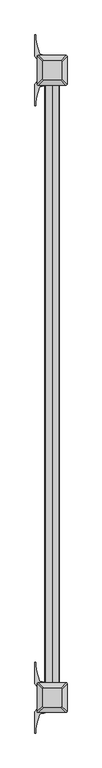
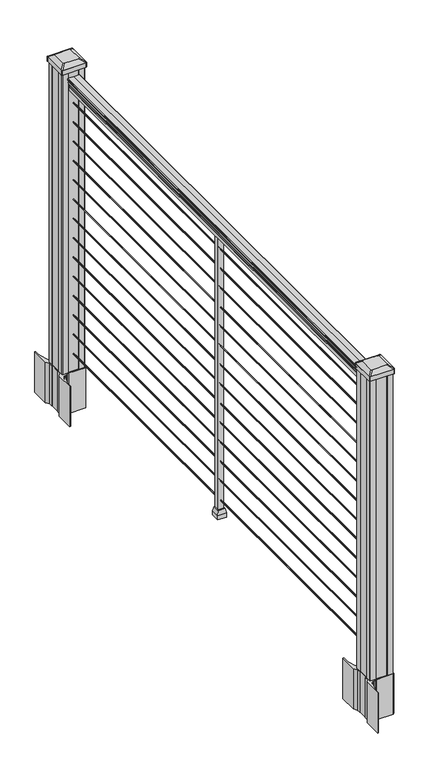
"""IFC4 building model written with IfcOpenShell, lengths in millimetres: railing geometry."""

import ifcopenshell
import ifcopenshell.guid

model = None  # the IFC model being written
_history = None  # IfcOwnerHistory: only IFC2X3 demands one
_inside = {}  # id of a spatial element -> (the spatial element, [elements in it])
_under = {}  # id of a project, library or spatial element -> (it, [spatial elements below it])
_declared = {}  # id of a project -> (the project, [libraries it declares])
_typed = {}  # id of a type object -> (the type object, [elements of that type])
_made_of = {}  # id of a material, layer set ... -> (it, [elements and type objects made of it])


def new_model(schema):
    """Start an empty IFC model of exactly this schema.

    Asked for "IFC4X3", IfcOpenShell would pick the latest addendum, in which some entities
    have other attributes; the version numbers below select the first issue.
    IFC2X3 requires an IfcOwnerHistory on every rooted entity: one is made here for all.
    """
    global model, _history
    if schema == "IFC4X3":
        model = ifcopenshell.file(schema_version=(4, 3, 0, 0))
    else:
        model = ifcopenshell.file(schema=schema)
    _inside.clear()
    _under.clear()
    _declared.clear()
    _typed.clear()
    _made_of.clear()
    _history = None
    if model.schema == "IFC2X3":
        org = make("IfcOrganization", Name="unknown")
        user = make(
            "IfcPersonAndOrganization",
            ThePerson=make("IfcPerson", FamilyName="unknown"),
            TheOrganization=org,
        )
        app = make(
            "IfcApplication",
            ApplicationDeveloper=org,
            Version="unknown",
            ApplicationFullName="unknown",
            ApplicationIdentifier="unknown",
        )
        _history = make(
            "IfcOwnerHistory",
            OwningUser=user,
            OwningApplication=app,
            ChangeAction="ADDED",
            CreationDate=0,
        )
    return model


def make(cls, **values):
    """One entity of the class cls with the attributes given. An attribute that is None is left unset."""
    return model.create_entity(
        cls, **{name: value for name, value in values.items() if value is not None}
    )


def rooted(cls, **values):
    """An entity with a GlobalId (a new one), such as an element, a storey or a relation."""
    return make(cls, GlobalId=ifcopenshell.guid.new(), OwnerHistory=_history, **values)


def si_unit(unit_type, name, prefix=None):
    """IfcSIUnit, for example si_unit("LENGTHUNIT", "METRE", prefix="MILLI")."""
    return make("IfcSIUnit", UnitType=unit_type, Prefix=prefix, Name=name)


def assignment(units):
    """IfcUnitAssignment: the units of a project."""
    return None if units is None else make("IfcUnitAssignment", Units=units)


def point(xyz):
    """IfcCartesianPoint."""
    return None if xyz is None else make("IfcCartesianPoint", Coordinates=xyz)


def direction(xyz):
    """IfcDirection."""
    return None if xyz is None else make("IfcDirection", DirectionRatios=xyz)


def frame(location, z_axis=None, x_axis=None):
    """IfcAxis2Placement3D, a coordinate frame: its origin and axes. An axis left out is left unset."""
    return make(
        "IfcAxis2Placement3D",
        Location=point(location),
        Axis=direction(z_axis),
        RefDirection=direction(x_axis),
    )


def frame_2d(location, x_axis=None):
    """IfcAxis2Placement2D, a coordinate frame in the plane: its origin and x axis."""
    return make(
        "IfcAxis2Placement2D", Location=point(location), RefDirection=direction(x_axis)
    )


def origin():
    """The frame at (0, 0, 0) with its axes left unset."""
    return frame((0.0, 0.0, 0.0))


def origin_with_axes():
    """The frame at (0, 0, 0) with the z axis (0, 0, 1) and the x axis (1, 0, 0) written out."""
    return frame((0.0, 0.0, 0.0), z_axis=(0.0, 0.0, 1.0), x_axis=(1.0, 0.0, 0.0))


def place(relative_to, where):
    """IfcLocalPlacement: puts the frame where relative to a parent placement (None: the world)."""
    return make(
        "IfcLocalPlacement", PlacementRelTo=relative_to, RelativePlacement=where
    )


def context(
    kind, dimensions, precision=None, world=None, true_north=None, identifier=None
):
    """IfcGeometricRepresentationContext, for example the 3D "Model" context."""
    return make(
        "IfcGeometricRepresentationContext",
        ContextIdentifier=identifier,
        ContextType=kind,
        CoordinateSpaceDimension=dimensions,
        Precision=precision,
        WorldCoordinateSystem=world,
        TrueNorth=true_north,
    )


def project(units=None, contexts=None):
    """IfcProject with its units and contexts."""
    return rooted(
        "IfcProject",
        Name="project",
        RepresentationContexts=contexts,
        UnitsInContext=assignment(units),
    )


def spatial(cls, under=None, at=None, **own):
    """A site, building, storey or space (cls), placed at a placement, below another one or the project."""
    s = rooted(cls, ObjectPlacement=at, **own)
    if under is not None:
        _under.setdefault(under.id(), (under, []))[1].append(s)
    return s


def polyline(points):
    """IfcPolyline through the points."""
    return make("IfcPolyline", Points=[point(p) for p in points])


def circle_curve(where, radius):
    """IfcCircle in the frame where."""
    return make("IfcCircle", Position=where, Radius=radius)


def trimmed(basis, trim1, trim2, sense, master):
    """IfcTrimmedCurve: the piece of a basis curve between two trims."""
    return make(
        "IfcTrimmedCurve",
        BasisCurve=basis,
        Trim1=trim1,
        Trim2=trim2,
        SenseAgreement=sense,
        MasterRepresentation=master,
    )


def segment(curve, same_sense, transition):
    """IfcCompositeCurveSegment."""
    return make(
        "IfcCompositeCurveSegment",
        Transition=transition,
        SameSense=same_sense,
        ParentCurve=curve,
    )


def composite_curve(segments, self_intersect=None):
    """IfcCompositeCurve: segments joined end to end."""
    return make("IfcCompositeCurve", Segments=segments, SelfIntersect=self_intersect)


def outline(outer, holes=None, kind="AREA"):
    """IfcArbitraryClosedProfileDef: a profile drawn as a closed curve; with holes, ...WithVoids."""
    if holes is None:
        return make("IfcArbitraryClosedProfileDef", ProfileType=kind, OuterCurve=outer)
    return make(
        "IfcArbitraryProfileDefWithVoids",
        ProfileType=kind,
        OuterCurve=outer,
        InnerCurves=holes,
    )


def extrude(swept, where, along, depth):
    """IfcExtrudedAreaSolid: the profile swept, set in the frame where, extruded along a direction by depth."""
    return make(
        "IfcExtrudedAreaSolid",
        SweptArea=swept,
        Position=where,
        ExtrudedDirection=direction(along),
        Depth=depth,
    )


def faces_of(points, faces, orient=None, outer=None):
    """IfcFace entities. A face is a list of loops; a loop is a list of indices into points, from 0.

    orient and outer hold one flag for each loop. By default every Orientation is true, the
    first loop of a face is its IfcFaceOuterBound and the others are IfcFaceBound.
    """
    made = []
    for i, loops in enumerate(faces):
        bounds = []
        for j, loop in enumerate(loops):
            is_outer = j == 0 if outer is None else outer[i][j]
            bounds.append(
                make(
                    "IfcFaceOuterBound" if is_outer else "IfcFaceBound",
                    Bound=make("IfcPolyLoop", Polygon=[points[k] for k in loop]),
                    Orientation=True if orient is None else orient[i][j],
                )
            )
        made.append(make("IfcFace", Bounds=bounds))
    return made


def faceted_brep(points, faces, orient=None, outer=None, voids=None):
    """IfcFacetedBrep: a solid bounded by flat faces; with voids (closed shells), ...WithVoids."""
    shared = [point(p) for p in points]
    hull = make("IfcClosedShell", CfsFaces=faces_of(shared, faces, orient, outer))
    if voids is None:
        return make("IfcFacetedBrep", Outer=hull)
    return make(
        "IfcFacetedBrepWithVoids",
        Outer=hull,
        Voids=[
            make(cls, CfsFaces=faces_of(shared, fs, o, b)) for cls, fs, o, b in voids
        ],
    )


def shape(context_of_items, identifier, shape_type, items):
    """IfcShapeRepresentation: the items that make up one representation, for example the "Body"."""
    return make(
        "IfcShapeRepresentation",
        ContextOfItems=context_of_items,
        RepresentationIdentifier=identifier,
        RepresentationType=shape_type,
        Items=items,
    )


def source(mapping_origin, context_of_items, identifier, shape_type, items):
    """IfcRepresentationMap: a shape defined once, which mapped items show again and again."""
    return make(
        "IfcRepresentationMap",
        MappingOrigin=mapping_origin,
        MappedRepresentation=shape(context_of_items, identifier, shape_type, items),
    )


def transform(
    local_origin,
    x_axis=None,
    y_axis=None,
    z_axis=None,
    scale=None,
    scale2=None,
    scale3=None,
    uniform=True,
):
    """IfcCartesianTransformationOperator3D, or its non-uniform kind. x_axis, y_axis, z_axis: its Axis1, 2, 3."""
    if uniform:
        return make(
            "IfcCartesianTransformationOperator3D",
            Axis1=direction(x_axis),
            Axis2=direction(y_axis),
            LocalOrigin=point(local_origin),
            Scale=scale,
            Axis3=direction(z_axis),
        )
    return make(
        "IfcCartesianTransformationOperator3DnonUniform",
        Axis1=direction(x_axis),
        Axis2=direction(y_axis),
        LocalOrigin=point(local_origin),
        Scale=scale,
        Axis3=direction(z_axis),
        Scale2=scale2,
        Scale3=scale3,
    )


def mapped(mapping_source, mapping_target):
    """IfcMappedItem: shows the shape of a source again, moved by a transform."""
    return make(
        "IfcMappedItem", MappingSource=mapping_source, MappingTarget=mapping_target
    )


def made_of(thing, what):
    """Note that an element or type object is made of a material, layer set ...; save() writes the relation."""
    if what is not None:
        _made_of.setdefault(what.id(), (what, []))[1].append(thing)
    return thing


def element(
    cls,
    number,
    at=None,
    inside=None,
    cuts=None,
    type_object=None,
    material=None,
    context=None,
    identifier="Body",
    shape_type=None,
    held_by="IfcProductDefinitionShape",
    body=None,
    shapes=None,
    **own,
):
    """One element of the class cls, such as IfcWall. Its Tag is "e" and its number.

    at: its placement. inside: the storey or other place that contains it. cuts: it is an
    opening in that element (IfcRelVoidsElement). A single representation is given by context,
    identifier, shape_type and body (its items); several are given by shapes. held_by: the class
    of the entity that holds the representations. save() writes the other relations.
    """
    e = rooted(cls, Tag="e%d" % number, ObjectPlacement=at, **own)
    if body is not None:
        shapes = [shape(context, identifier, shape_type, body)]
    if shapes is not None:
        e.Representation = make(held_by, Representations=shapes)
    if inside is not None:
        _inside.setdefault(inside.id(), (inside, []))[1].append(e)
    if cuts is not None:
        rooted(
            "IfcRelVoidsElement", RelatingBuildingElement=cuts, RelatedOpeningElement=e
        )
    if type_object is not None:
        _typed.setdefault(type_object.id(), (type_object, []))[1].append(e)
    return made_of(e, material)


def aggregate(whole, parts):
    """IfcRelAggregates: a whole, such as a stair, and the parts it consists of."""
    return rooted("IfcRelAggregates", RelatingObject=whole, RelatedObjects=parts)


def save(model, path):
    """Write the relations noted so far, then the file.

    IfcRelAggregates (storeys below a building ...), IfcRelContainedInSpatialStructure (elements
    in a storey), IfcRelDefinesByType, IfcRelAssociatesMaterial and IfcRelDeclares: one each for
    every whole, place, type object, material and project.
    """
    for whole, parts in _under.values():
        aggregate(whole, parts)
    for where, things in _inside.values():
        rooted(
            "IfcRelContainedInSpatialStructure",
            RelatedElements=things,
            RelatingStructure=where,
        )
    for kind, things in _typed.values():
        rooted("IfcRelDefinesByType", RelatedObjects=things, RelatingType=kind)
    for what, things in _made_of.values():
        rooted("IfcRelAssociatesMaterial", RelatedObjects=things, RelatingMaterial=what)
    for by, libraries in _declared.values():
        rooted("IfcRelDeclares", RelatingContext=by, RelatedDefinitions=libraries)
    model.write(path)


def plane_surface(at):
    """IfcPlane: the flat surface through the origin of the frame at, square to its z axis."""
    return make("IfcPlane", Position=at)


def extruded_surface(curve, direction_of_extrusion, depth):
    """IfcSurfaceOfLinearExtrusion: the curve pushed along a direction by depth."""
    return make(
        "IfcSurfaceOfLinearExtrusion",
        SweptCurve=make("IfcArbitraryOpenProfileDef", ProfileType="CURVE", Curve=curve),
        ExtrudedDirection=direction(direction_of_extrusion),
        Depth=depth,
    )


def advanced_brep(points, edges, surfaces, faces):
    """IfcAdvancedBrep: a solid bounded by faces that lie on surfaces and meet in shared edges.

    An edge is (start, end): straight between two places in points (the first is 0);
    or (start, end, curve); or (start, end, curve, False) where it runs against its curve.
    A face is (place in surfaces, loops), or (place, loops, False) where it looks against
    its surface's normal. A loop lists edges by number (the first is 1), with a minus sign
    where the edge is run from its end to its start. The first loop is the outer one.
    """
    corners = [point(p) for p in points]
    vertices = [make("IfcVertexPoint", VertexGeometry=c) for c in corners]
    made = []
    for start, end, *more in edges:
        made.append(
            make(
                "IfcEdgeCurve",
                EdgeStart=vertices[start],
                EdgeEnd=vertices[end],
                EdgeGeometry=more[0] if more else make("IfcPolyline", Points=[corners[start], corners[end]]),
                SameSense=more[1] if len(more) > 1 else True,
            )
        )
    hull = []
    for where, loops, *sense in faces:
        bounds = []
        for j, loop in enumerate(loops):
            ring = [make("IfcOrientedEdge", EdgeElement=made[abs(k) - 1], Orientation=k > 0) for k in loop]
            bounds.append(
                make(
                    "IfcFaceOuterBound" if j == 0 else "IfcFaceBound",
                    Bound=make("IfcEdgeLoop", EdgeList=ring),
                    Orientation=True,
                )
            )
        hull.append(make("IfcAdvancedFace", Bounds=bounds, FaceSurface=surfaces[where], SameSense=sense[0] if sense else True))
    return make("IfcAdvancedBrep", Outer=make("IfcClosedShell", CfsFaces=hull))


def railing_bdea618e(model_context):
    return source(origin(), model_context, "Body", "SolidModel", [
        extrude(outline(composite_curve([segment(polyline([(1090.8043297, 2185.0080205), (1092.692412, 2185.0080205)]), True, "CONTINUOUS"), segment(trimmed(circle_curve(frame_2d((1098.4506383, 2178.6932672)), 8.545951), [point((1092.692412, 2185.0080205))], [point((1094.2546695, 2186.1382068))], False, "CARTESIAN"), True, "CONTINUOUS"), segment(trimmed(circle_curve(frame_2d((1097.8636577, 2179.1303302)), 7.882584), [point((1094.2546695, 2186.1382068))], [point((1101.4726458, 2186.1382068))], False, "CARTESIAN"), True, "CONTINUOUS"), segment(trimmed(circle_curve(frame_2d((1103.7112527, 2189.6436543)), 4.1592695), [point((1101.4726458, 2186.1382068))], [point((1103.9060812, 2185.4889504))], True, "CARTESIAN"), True, "CONTINUOUS"), segment(trimmed(circle_curve(frame_2d((1103.6508864, 2190.9309609)), 5.4479907), [point((1103.9060812, 2185.4889504))], [point((1108.2362083, 2187.9889504))], True, "CARTESIAN"), True, "CONTINUOUS"), segment(trimmed(circle_curve(frame_2d((1108.233395, 2189.6978025)), 1.7088543), [point((1108.2362083, 2187.9889504))], [point((1109.9157972, 2189.3982929))], True, "CARTESIAN"), True, "CONTINUOUS"), segment(trimmed(circle_curve(frame_2d((1111.0205318, 2188.0809024)), 1.7192895), [point((1109.9157972, 2189.3982929))], [point((1111.0205318, 2189.8001919))], False, "CARTESIAN"), True, "CONTINUOUS"), segment(polyline([(1111.0205318, 2189.8001919), (1112.3608158, 2189.8001918)]), True, "CONTINUOUS"), segment(trimmed(circle_curve(frame_2d((1112.3608158, 2188.2467446)), 1.5534472), [point((1112.3608158, 2189.8001918))], [point((1113.914263, 2188.2467446))], False, "CARTESIAN"), True, "CONTINUOUS"), segment(polyline([(1113.914263, 2188.2467446), (1113.914263, 2167.5751918), (1113.914263, 2146.903639)]), True, "CONTINUOUS"), segment(trimmed(circle_curve(frame_2d((1112.3608158, 2146.903639)), 1.5534472), [point((1113.914263, 2146.903639))], [point((1112.3608158, 2145.3501918))], False, "CARTESIAN"), True, "CONTINUOUS"), segment(polyline([(1112.3608158, 2145.3501918), (1111.0205318, 2145.3501918)]), True, "CONTINUOUS"), segment(trimmed(circle_curve(frame_2d((1111.0205318, 2147.0694812)), 1.7192895), [point((1111.0205318, 2145.3501918))], [point((1109.9157972, 2145.7520907))], False, "CARTESIAN"), True, "CONTINUOUS"), segment(trimmed(circle_curve(frame_2d((1108.233395, 2145.4525811)), 1.7088543), [point((1109.9157972, 2145.7520907))], [point((1108.2362083, 2147.1614332))], True, "CARTESIAN"), True, "CONTINUOUS"), segment(trimmed(circle_curve(frame_2d((1103.6508864, 2144.2194227)), 5.4479907), [point((1108.2362083, 2147.1614332))], [point((1103.9060812, 2149.6614332))], True, "CARTESIAN"), True, "CONTINUOUS"), segment(trimmed(circle_curve(frame_2d((1103.7112527, 2145.5067292)), 4.1592695), [point((1103.9060812, 2149.6614332))], [point((1101.4726458, 2149.0121768))], True, "CARTESIAN"), True, "CONTINUOUS"), segment(trimmed(circle_curve(frame_2d((1097.8636577, 2156.0200534)), 7.882584), [point((1101.4726458, 2149.0121768))], [point((1094.2546695, 2149.0121768))], False, "CARTESIAN"), True, "CONTINUOUS"), segment(trimmed(circle_curve(frame_2d((1098.4506383, 2156.4571163)), 8.545951), [point((1094.2546695, 2149.0121768))], [point((1092.692412, 2150.1423631))], False, "CARTESIAN"), True, "CONTINUOUS"), segment(polyline([(1092.692412, 2150.1423631), (1090.8043297, 2150.1423631)]), True, "CONTINUOUS"), segment(trimmed(circle_curve(frame_2d((1090.8043297, 2151.4292774)), 1.2869144), [point((1090.8043297, 2150.1423631))], [point((1090.8043297, 2152.7161918))], False, "CARTESIAN"), True, "CONTINUOUS"), segment(polyline([(1090.8043297, 2152.7161918), (1080.3048283, 2152.7161918), (1079.2888283, 2151.7001918), (1066.8, 2151.7001918), (1066.8, 2183.4501918), (1079.131013, 2183.4501918), (1080.147013, 2182.4341918), (1090.8043297, 2182.4341918)]), True, "CONTINUOUS"), segment(trimmed(circle_curve(frame_2d((1090.8043297, 2183.7211062)), 1.2869144), [point((1090.8043297, 2182.4341918))], [point((1090.8043297, 2185.0080205))], False, "CARTESIAN"), True, "CONTINUOUS")], self_intersect=False)), frame((0.0, -101561.4908968, 0.0), z_axis=(0.0, 1.0, 0.0), x_axis=(0.0, 0.0, 1.0)), (0.0, 0.0, 1.0), 1828.8),
        extrude(outline(composite_curve([segment(trimmed(circle_curve(frame_2d((65.024, 2167.5751918)), 1.5875), [point((65.024, 2165.9876918))], [point((63.4365, 2167.5751918))], False, "CARTESIAN"), True, "CONTINUOUS"), segment(trimmed(circle_curve(frame_2d((65.024, 2167.5751918)), 1.5875), [point((63.4365, 2167.5751918))], [point((65.024, 2169.1626918))], False, "CARTESIAN"), True, "CONTINUOUS"), segment(trimmed(circle_curve(frame_2d((65.024, 2167.5751918)), 1.5875), [point((65.024, 2169.1626918))], [point((66.6115, 2167.5751918))], False, "CARTESIAN"), True, "CONTINUOUS"), segment(trimmed(circle_curve(frame_2d((65.024, 2167.5751918)), 1.5875), [point((66.6115, 2167.5751918))], [point((65.024, 2165.9876918))], False, "CARTESIAN"), True, "CONTINUOUS")], self_intersect=False)), frame((0.0, -101561.4908968, 0.0), z_axis=(0.0, 1.0, 0.0), x_axis=(0.0, 0.0, 1.0)), (0.0, 0.0, 1.0), 1828.8),
        extrude(outline(composite_curve([segment(trimmed(circle_curve(frame_2d((138.176, 2167.5751918)), 1.5875), [point((138.176, 2165.9876918))], [point((136.5885, 2167.5751918))], False, "CARTESIAN"), True, "CONTINUOUS"), segment(trimmed(circle_curve(frame_2d((138.176, 2167.5751918)), 1.5875), [point((136.5885, 2167.5751918))], [point((138.176, 2169.1626918))], False, "CARTESIAN"), True, "CONTINUOUS"), segment(trimmed(circle_curve(frame_2d((138.176, 2167.5751918)), 1.5875), [point((138.176, 2169.1626918))], [point((139.7635, 2167.5751918))], False, "CARTESIAN"), True, "CONTINUOUS"), segment(trimmed(circle_curve(frame_2d((138.176, 2167.5751918)), 1.5875), [point((139.7635, 2167.5751918))], [point((138.176, 2165.9876918))], False, "CARTESIAN"), True, "CONTINUOUS")], self_intersect=False)), frame((0.0, -101561.4908968, 0.0), z_axis=(0.0, 1.0, 0.0), x_axis=(0.0, 0.0, 1.0)), (0.0, 0.0, 1.0), 1828.8),
        extrude(outline(composite_curve([segment(trimmed(circle_curve(frame_2d((211.074, 2167.5751918)), 1.5875), [point((211.074, 2165.9876918))], [point((209.4865, 2167.5751918))], False, "CARTESIAN"), True, "CONTINUOUS"), segment(trimmed(circle_curve(frame_2d((211.074, 2167.5751918)), 1.5875), [point((209.4865, 2167.5751918))], [point((211.074, 2169.1626918))], False, "CARTESIAN"), True, "CONTINUOUS"), segment(trimmed(circle_curve(frame_2d((211.074, 2167.5751918)), 1.5875), [point((211.074, 2169.1626918))], [point((212.6615, 2167.5751918))], False, "CARTESIAN"), True, "CONTINUOUS"), segment(trimmed(circle_curve(frame_2d((211.074, 2167.5751918)), 1.5875), [point((212.6615, 2167.5751918))], [point((211.074, 2165.9876918))], False, "CARTESIAN"), True, "CONTINUOUS")], self_intersect=False)), frame((0.0, -101561.4908968, 0.0), z_axis=(0.0, 1.0, 0.0), x_axis=(0.0, 0.0, 1.0)), (0.0, 0.0, 1.0), 1828.8),
        extrude(outline(composite_curve([segment(trimmed(circle_curve(frame_2d((284.226, 2167.5751918)), 1.5875), [point((284.226, 2165.9876918))], [point((282.6385, 2167.5751918))], False, "CARTESIAN"), True, "CONTINUOUS"), segment(trimmed(circle_curve(frame_2d((284.226, 2167.5751918)), 1.5875), [point((282.6385, 2167.5751918))], [point((284.226, 2169.1626918))], False, "CARTESIAN"), True, "CONTINUOUS"), segment(trimmed(circle_curve(frame_2d((284.226, 2167.5751918)), 1.5875), [point((284.226, 2169.1626918))], [point((285.8135, 2167.5751918))], False, "CARTESIAN"), True, "CONTINUOUS"), segment(trimmed(circle_curve(frame_2d((284.226, 2167.5751918)), 1.5875), [point((285.8135, 2167.5751918))], [point((284.226, 2165.9876918))], False, "CARTESIAN"), True, "CONTINUOUS")], self_intersect=False)), frame((0.0, -101561.4908968, 0.0), z_axis=(0.0, 1.0, 0.0), x_axis=(0.0, 0.0, 1.0)), (0.0, 0.0, 1.0), 1828.8),
        extrude(outline(composite_curve([segment(trimmed(circle_curve(frame_2d((357.124, 2167.5751918)), 1.5875), [point((357.124, 2165.9876918))], [point((355.5365, 2167.5751918))], False, "CARTESIAN"), True, "CONTINUOUS"), segment(trimmed(circle_curve(frame_2d((357.124, 2167.5751918)), 1.5875), [point((355.5365, 2167.5751918))], [point((357.124, 2169.1626918))], False, "CARTESIAN"), True, "CONTINUOUS"), segment(trimmed(circle_curve(frame_2d((357.124, 2167.5751918)), 1.5875), [point((357.124, 2169.1626918))], [point((358.7115, 2167.5751918))], False, "CARTESIAN"), True, "CONTINUOUS"), segment(trimmed(circle_curve(frame_2d((357.124, 2167.5751918)), 1.5875), [point((358.7115, 2167.5751918))], [point((357.124, 2165.9876918))], False, "CARTESIAN"), True, "CONTINUOUS")], self_intersect=False)), frame((0.0, -101561.4908968, 0.0), z_axis=(0.0, 1.0, 0.0), x_axis=(0.0, 0.0, 1.0)), (0.0, 0.0, 1.0), 1828.8),
        extrude(outline(composite_curve([segment(trimmed(circle_curve(frame_2d((430.276, 2167.5751918)), 1.5875), [point((430.276, 2165.9876918))], [point((428.6885, 2167.5751918))], False, "CARTESIAN"), True, "CONTINUOUS"), segment(trimmed(circle_curve(frame_2d((430.276, 2167.5751918)), 1.5875), [point((428.6885, 2167.5751918))], [point((430.276, 2169.1626918))], False, "CARTESIAN"), True, "CONTINUOUS"), segment(trimmed(circle_curve(frame_2d((430.276, 2167.5751918)), 1.5875), [point((430.276, 2169.1626918))], [point((431.8635, 2167.5751918))], False, "CARTESIAN"), True, "CONTINUOUS"), segment(trimmed(circle_curve(frame_2d((430.276, 2167.5751918)), 1.5875), [point((431.8635, 2167.5751918))], [point((430.276, 2165.9876918))], False, "CARTESIAN"), True, "CONTINUOUS")], self_intersect=False)), frame((0.0, -101561.4908968, 0.0), z_axis=(0.0, 1.0, 0.0), x_axis=(0.0, 0.0, 1.0)), (0.0, 0.0, 1.0), 1828.8),
        extrude(outline(composite_curve([segment(trimmed(circle_curve(frame_2d((503.174, 2167.5751918)), 1.5875), [point((503.174, 2165.9876918))], [point((501.5865, 2167.5751918))], False, "CARTESIAN"), True, "CONTINUOUS"), segment(trimmed(circle_curve(frame_2d((503.174, 2167.5751918)), 1.5875), [point((501.5865, 2167.5751918))], [point((503.174, 2169.1626918))], False, "CARTESIAN"), True, "CONTINUOUS"), segment(trimmed(circle_curve(frame_2d((503.174, 2167.5751918)), 1.5875), [point((503.174, 2169.1626918))], [point((504.7615, 2167.5751918))], False, "CARTESIAN"), True, "CONTINUOUS"), segment(trimmed(circle_curve(frame_2d((503.174, 2167.5751918)), 1.5875), [point((504.7615, 2167.5751918))], [point((503.174, 2165.9876918))], False, "CARTESIAN"), True, "CONTINUOUS")], self_intersect=False)), frame((0.0, -101561.4908968, 0.0), z_axis=(0.0, 1.0, 0.0), x_axis=(0.0, 0.0, 1.0)), (0.0, 0.0, 1.0), 1828.8),
        extrude(outline(composite_curve([segment(trimmed(circle_curve(frame_2d((576.326, 2167.5751918)), 1.5875), [point((576.326, 2165.9876918))], [point((574.7385, 2167.5751918))], False, "CARTESIAN"), True, "CONTINUOUS"), segment(trimmed(circle_curve(frame_2d((576.326, 2167.5751918)), 1.5875), [point((574.7385, 2167.5751918))], [point((576.326, 2169.1626918))], False, "CARTESIAN"), True, "CONTINUOUS"), segment(trimmed(circle_curve(frame_2d((576.326, 2167.5751918)), 1.5875), [point((576.326, 2169.1626918))], [point((577.9135, 2167.5751918))], False, "CARTESIAN"), True, "CONTINUOUS"), segment(trimmed(circle_curve(frame_2d((576.326, 2167.5751918)), 1.5875), [point((577.9135, 2167.5751918))], [point((576.326, 2165.9876918))], False, "CARTESIAN"), True, "CONTINUOUS")], self_intersect=False)), frame((0.0, -101561.4908968, 0.0), z_axis=(0.0, 1.0, 0.0), x_axis=(0.0, 0.0, 1.0)), (0.0, 0.0, 1.0), 1828.8),
        extrude(outline(composite_curve([segment(trimmed(circle_curve(frame_2d((649.224, 2167.5751918)), 1.5875), [point((649.224, 2165.9876918))], [point((647.6365, 2167.5751918))], False, "CARTESIAN"), True, "CONTINUOUS"), segment(trimmed(circle_curve(frame_2d((649.224, 2167.5751918)), 1.5875), [point((647.6365, 2167.5751918))], [point((649.224, 2169.1626918))], False, "CARTESIAN"), True, "CONTINUOUS"), segment(trimmed(circle_curve(frame_2d((649.224, 2167.5751918)), 1.5875), [point((649.224, 2169.1626918))], [point((650.8115, 2167.5751918))], False, "CARTESIAN"), True, "CONTINUOUS"), segment(trimmed(circle_curve(frame_2d((649.224, 2167.5751918)), 1.5875), [point((650.8115, 2167.5751918))], [point((649.224, 2165.9876918))], False, "CARTESIAN"), True, "CONTINUOUS")], self_intersect=False)), frame((0.0, -101561.4908968, 0.0), z_axis=(0.0, 1.0, 0.0), x_axis=(0.0, 0.0, 1.0)), (0.0, 0.0, 1.0), 1828.8),
        extrude(outline(composite_curve([segment(trimmed(circle_curve(frame_2d((722.376, 2167.5751918)), 1.5875), [point((722.376, 2165.9876918))], [point((720.7885, 2167.5751918))], False, "CARTESIAN"), True, "CONTINUOUS"), segment(trimmed(circle_curve(frame_2d((722.376, 2167.5751918)), 1.5875), [point((720.7885, 2167.5751918))], [point((722.376, 2169.1626918))], False, "CARTESIAN"), True, "CONTINUOUS"), segment(trimmed(circle_curve(frame_2d((722.376, 2167.5751918)), 1.5875), [point((722.376, 2169.1626918))], [point((723.9635, 2167.5751918))], False, "CARTESIAN"), True, "CONTINUOUS"), segment(trimmed(circle_curve(frame_2d((722.376, 2167.5751918)), 1.5875), [point((723.9635, 2167.5751918))], [point((722.376, 2165.9876918))], False, "CARTESIAN"), True, "CONTINUOUS")], self_intersect=False)), frame((0.0, -101561.4908968, 0.0), z_axis=(0.0, 1.0, 0.0), x_axis=(0.0, 0.0, 1.0)), (0.0, 0.0, 1.0), 1828.8),
        extrude(outline(composite_curve([segment(trimmed(circle_curve(frame_2d((795.274, 2167.5751918)), 1.5875), [point((795.274, 2165.9876918))], [point((793.6865, 2167.5751918))], False, "CARTESIAN"), True, "CONTINUOUS"), segment(trimmed(circle_curve(frame_2d((795.274, 2167.5751918)), 1.5875), [point((793.6865, 2167.5751918))], [point((795.274, 2169.1626918))], False, "CARTESIAN"), True, "CONTINUOUS"), segment(trimmed(circle_curve(frame_2d((795.274, 2167.5751918)), 1.5875), [point((795.274, 2169.1626918))], [point((796.8615, 2167.5751918))], False, "CARTESIAN"), True, "CONTINUOUS"), segment(trimmed(circle_curve(frame_2d((795.274, 2167.5751918)), 1.5875), [point((796.8615, 2167.5751918))], [point((795.274, 2165.9876918))], False, "CARTESIAN"), True, "CONTINUOUS")], self_intersect=False)), frame((0.0, -101561.4908968, 0.0), z_axis=(0.0, 1.0, 0.0), x_axis=(0.0, 0.0, 1.0)), (0.0, 0.0, 1.0), 1828.8),
        extrude(outline(composite_curve([segment(trimmed(circle_curve(frame_2d((868.426, 2167.5751918)), 1.5875), [point((868.426, 2165.9876918))], [point((866.8385, 2167.5751918))], False, "CARTESIAN"), True, "CONTINUOUS"), segment(trimmed(circle_curve(frame_2d((868.426, 2167.5751918)), 1.5875), [point((866.8385, 2167.5751918))], [point((868.426, 2169.1626918))], False, "CARTESIAN"), True, "CONTINUOUS"), segment(trimmed(circle_curve(frame_2d((868.426, 2167.5751918)), 1.5875), [point((868.426, 2169.1626918))], [point((870.0135, 2167.5751918))], False, "CARTESIAN"), True, "CONTINUOUS"), segment(trimmed(circle_curve(frame_2d((868.426, 2167.5751918)), 1.5875), [point((870.0135, 2167.5751918))], [point((868.426, 2165.9876918))], False, "CARTESIAN"), True, "CONTINUOUS")], self_intersect=False)), frame((0.0, -101561.4908968, 0.0), z_axis=(0.0, 1.0, 0.0), x_axis=(0.0, 0.0, 1.0)), (0.0, 0.0, 1.0), 1828.8),
        extrude(outline(composite_curve([segment(trimmed(circle_curve(frame_2d((941.324, 2167.5751918)), 1.5875), [point((941.324, 2165.9876918))], [point((939.7365, 2167.5751918))], False, "CARTESIAN"), True, "CONTINUOUS"), segment(trimmed(circle_curve(frame_2d((941.324, 2167.5751918)), 1.5875), [point((939.7365, 2167.5751918))], [point((941.324, 2169.1626918))], False, "CARTESIAN"), True, "CONTINUOUS"), segment(trimmed(circle_curve(frame_2d((941.324, 2167.5751918)), 1.5875), [point((941.324, 2169.1626918))], [point((942.9115, 2167.5751918))], False, "CARTESIAN"), True, "CONTINUOUS"), segment(trimmed(circle_curve(frame_2d((941.324, 2167.5751918)), 1.5875), [point((942.9115, 2167.5751918))], [point((941.324, 2165.9876918))], False, "CARTESIAN"), True, "CONTINUOUS")], self_intersect=False)), frame((0.0, -101561.4908968, 0.0), z_axis=(0.0, 1.0, 0.0), x_axis=(0.0, 0.0, 1.0)), (0.0, 0.0, 1.0), 1828.8),
        extrude(outline(composite_curve([segment(trimmed(circle_curve(frame_2d((1014.476, 2167.5751918)), 1.5875), [point((1014.476, 2165.9876918))], [point((1012.8885, 2167.5751918))], False, "CARTESIAN"), True, "CONTINUOUS"), segment(trimmed(circle_curve(frame_2d((1014.476, 2167.5751918)), 1.5875), [point((1012.8885, 2167.5751918))], [point((1014.476, 2169.1626918))], False, "CARTESIAN"), True, "CONTINUOUS"), segment(trimmed(circle_curve(frame_2d((1014.476, 2167.5751918)), 1.5875), [point((1014.476, 2169.1626918))], [point((1016.0635, 2167.5751918))], False, "CARTESIAN"), True, "CONTINUOUS"), segment(trimmed(circle_curve(frame_2d((1014.476, 2167.5751918)), 1.5875), [point((1016.0635, 2167.5751918))], [point((1014.476, 2165.9876918))], False, "CARTESIAN"), True, "CONTINUOUS")], self_intersect=False)), frame((0.0, -101561.4908968, 0.0), z_axis=(0.0, 1.0, 0.0), x_axis=(0.0, 0.0, 1.0)), (0.0, 0.0, 1.0), 1828.8),
        faceted_brep([(2180.2751918, -100650.1388968, 32.1497081), (2180.2751918, -100624.7388968, 32.1497081), (2154.8751918, -100624.7388968, 32.1497081), (2154.8751918, -100650.1388968, 32.1497081), (2183.4501918, -100653.3138968, 16.2747081), (2151.7001918, -100653.3138968, 16.2747081), (2151.7001918, -100621.5638968, 16.2747081), (2183.4501918, -100621.5638968, 16.2747081)], [[[0, 1, 2, 3]], [[4, 5, 6, 7]], [[4, 0, 3, 5]], [[5, 3, 2, 6]], [[6, 2, 1, 7]], [[7, 1, 0, 4]]]),
        extrude(outline(polyline([(2183.4501918, -100653.3138968), (2151.7001918, -100653.3138968), (2151.7001918, -100621.5638968), (2183.4501918, -100621.5638968), (2183.4501918, -100653.3138968)])), origin_with_axes(), (0.0, 0.0, 1.0), 16.2747081),
        extrude(outline(polyline([(2177.1001918, -100646.9638968), (2158.0501918, -100646.9638968), (2158.0501918, -100627.9138968), (2177.1001918, -100627.9138968), (2177.1001918, -100646.9638968)])), origin_with_axes(), (0.0, 0.0, 1.0), 1066.8),
        extrude(outline(composite_curve([segment(polyline([(2210.3106918, -99708.6749917), (2211.8981918, -99709.4369917), (2211.8981918, -99732.2389198), (2208.5252147, -99735.6118968), (2147.0655439, -99735.6118968), (2147.0655439, -99736.5326468), (2141.7480001, -99736.5326468), (2141.7480001, -99737.9869015), (2136.6634704, -99737.9869015), (2136.6634704, -99739.2709253), (2134.9961981, -99739.2709253)]), True, "CONTINUOUS"), segment(trimmed(circle_curve(frame_2d((2134.9961981, -99746.3303852)), 7.0594599), [point((2134.9961981, -99739.2709253))], [point((2128.2289352, -99744.3203785))], True, "CARTESIAN"), True, "CONTINUOUS"), segment(polyline([(2128.2289352, -99744.3203785), (2120.354741, -99770.8311076)]), True, "CONTINUOUS"), segment(trimmed(circle_curve(frame_2d((2175.1392543, -99787.1031573)), 57.15), [point((2120.354741, -99770.8311076))], [point((2117.9892543, -99787.1031573))], True, "CARTESIAN"), True, "CONTINUOUS"), segment(polyline([(2117.9892543, -99787.1031573), (2117.9892543, -99799.1118968), (2114.9892543, -99799.1118968), (2114.9892543, -99734.0243968), (2123.2521918, -99722.6861055), (2123.2521918, -99709.4369917), (2124.8396918, -99708.6749917), (2124.8396918, -99673.902802), (2123.2521918, -99673.140802), (2123.2521918, -99659.8916882), (2114.9892543, -99648.5533968), (2114.9892543, -99583.4658968), (2117.9892543, -99583.4658968), (2117.9892543, -99595.4746364)]), True, "CONTINUOUS"), segment(trimmed(circle_curve(frame_2d((2175.1392543, -99595.4746364)), 57.15), [point((2117.9892543, -99595.4746364))], [point((2120.354741, -99611.746686))], True, "CARTESIAN"), True, "CONTINUOUS"), segment(polyline([(2120.354741, -99611.746686), (2128.2289352, -99638.2574151)]), True, "CONTINUOUS"), segment(trimmed(circle_curve(frame_2d((2134.9961981, -99636.2474085)), 7.0594599), [point((2128.2289352, -99638.2574151))], [point((2134.9961981, -99643.3068683))], True, "CARTESIAN"), True, "CONTINUOUS"), segment(polyline([(2134.9961981, -99643.3068683), (2136.6634704, -99643.3068683), (2136.6634704, -99644.5908921), (2141.7480001, -99644.5908921), (2141.7480001, -99646.0451468), (2147.0655439, -99646.0451468), (2147.0655439, -99646.9658968), (2208.5252147, -99646.9658968), (2211.8981918, -99650.3388739), (2211.8981918, -99673.140802), (2210.3106918, -99673.902802), (2210.3106918, -99708.6749917)]), True, "CONTINUOUS")], self_intersect=False), holes=[polyline([(2126.3001918, -99651.6013968), (2126.3001918, -99730.9763968), (2127.8876918, -99732.5638968), (2164.8119744, -99732.5638968), (2207.2626918, -99732.5638968), (2208.8501918, -99730.9763968), (2208.8501918, -99651.6013968), (2207.2626918, -99650.0138968), (2164.8119744, -99650.0138968), (2127.8876918, -99650.0138968), (2126.3001918, -99651.6013968)])]), frame((0.0, 0.0, -152.4), z_axis=(0.0, 0.0, 1.0), x_axis=(1.0, 0.0, 0.0)), (0.0, 0.0, 1.0), 152.4),
        advanced_brep(
        [(2141.7783168, -99720.2607718, 1165.225), (2193.3720668, -99720.2607718, 1165.225), (2196.5470668, -99717.0857718, 1165.225), (2196.5470668, -99665.4920218, 1165.225), (2193.3720668, -99662.3170218, 1165.225), (2141.7783168, -99662.3170218, 1165.225), (2138.6033168, -99665.4920218, 1165.225), (2138.6033168, -99717.0857718, 1165.225), (2125.5064418, -99736.5326468, 1153.922), (2122.3314418, -99733.3576468, 1153.922), (2122.3314418, -99649.2201468, 1153.922), (2125.5064418, -99646.0451468, 1153.922), (2209.6439418, -99646.0451468, 1153.922), (2212.8189418, -99649.2201468, 1153.922), (2212.8189418, -99733.3576468, 1153.922), (2209.6439418, -99736.5326468, 1153.922)],
        [
            (0, 1),
            (1, 2, circle_curve(frame((2193.3720668, -99717.0857718, 1165.225), z_axis=(0.0, 0.0, 1.0), x_axis=(0.0, 1.0, 0.0)), 3.175)),
            (2, 3),
            (3, 4, circle_curve(frame((2193.3720668, -99665.4920218, 1165.225), z_axis=(0.0, 0.0, 1.0), x_axis=(0.0, 1.0, 0.0)), 3.175)),
            (4, 5),
            (5, 6, circle_curve(frame((2141.7783168, -99665.4920218, 1165.225), z_axis=(0.0, 0.0, 1.0), x_axis=(0.0, 1.0, 0.0)), 3.175)),
            (6, 7),
            (7, 0, circle_curve(frame((2141.7783168, -99717.0857718, 1165.225), z_axis=(0.0, 0.0, 1.0), x_axis=(0.0, 1.0, 0.0)), 3.175)),
            (8, 9, circle_curve(frame((2125.5064418, -99733.3576468, 1153.922), z_axis=(0.0, 0.0, -1.0), x_axis=(0.0, 1.0, 0.0)), 3.175)),
            (9, 10),
            (10, 11, circle_curve(frame((2125.5064418, -99649.2201468, 1153.922), z_axis=(0.0, 0.0, -1.0), x_axis=(0.0, 1.0, 0.0)), 3.175)),
            (11, 12),
            (12, 13, circle_curve(frame((2209.6439418, -99649.2201468, 1153.922), z_axis=(0.0, 0.0, -1.0), x_axis=(0.0, 1.0, 0.0)), 3.175)),
            (13, 14),
            (14, 15, circle_curve(frame((2209.6439418, -99733.3576468, 1153.922), z_axis=(0.0, 0.0, -1.0), x_axis=(0.0, 1.0, 0.0)), 3.175)),
            (15, 8),
            (8, 0),
            (7, 9),
            (6, 10),
            (5, 11),
            (4, 12),
            (3, 13),
            (2, 14),
            (1, 15),
        ],
        [
            plane_surface(frame((2167.5751918, -99691.2888968, 1165.225), z_axis=(0.0, 0.0, 1.0), x_axis=(-1.0, 0.0, 0.0))),
            plane_surface(frame((2167.5751918, -99691.2888968, 1153.922), z_axis=(0.0, 0.0, -1.0), x_axis=(-1.0, 0.0, 0.0))),
            extruded_surface(trimmed(circle_curve(frame((2141.7783168, -99717.0857718, 1165.225), z_axis=(0.0, 0.0, -1.0), x_axis=(0.0, 1.0, 0.0)), 3.175), [point((2141.7783168, -99720.2607718, 1165.225))], [point((2138.6033168, -99717.0857718, 1165.225))], True, "CARTESIAN"), (-16.27187499999991, -16.27187499999127, -11.302999999999884), 25.63797263886051),
            plane_surface(frame((2122.3314418, -99691.2888968, 1153.922), z_axis=(-0.5705009161540777, 0.0, 0.8212969649690409), x_axis=(0.0, 1.0, 0.0))),
            extruded_surface(trimmed(circle_curve(frame((2141.7783168, -99665.4920218, 1165.225), z_axis=(0.0, 0.0, -1.0), x_axis=(0.0, 1.0, 0.0)), 3.175), [point((2138.6033168, -99665.4920218, 1165.225))], [point((2141.7783168, -99662.3170218, 1165.225))], True, "CARTESIAN"), (-16.27187499999991, 16.27187500000582, -11.302999999999884), 25.637972638869748),
            plane_surface(frame((2167.5751918, -99646.0451468, 1153.922), z_axis=(0.0, 0.5705009161540291, 0.8212969649690747), x_axis=(1.0, 0.0, 0.0))),
            extruded_surface(trimmed(circle_curve(frame((2193.3720668, -99665.4920218, 1165.225), z_axis=(0.0, 0.0, -1.0), x_axis=(0.0, 1.0, 0.0)), 3.175), [point((2193.3720668, -99662.3170218, 1165.225))], [point((2196.5470668, -99665.4920218, 1165.225))], True, "CARTESIAN"), (16.27187499999991, 16.27187500000582, -11.302999999999884), 25.637972638869748),
            plane_surface(frame((2212.8189418, -99691.2888968, 1153.922), z_axis=(0.5705009161540143, 0.0, 0.821296964969085), x_axis=(0.0, -1.0, 0.0))),
            extruded_surface(trimmed(circle_curve(frame((2193.3720668, -99717.0857718, 1165.225), z_axis=(0.0, 0.0, -1.0), x_axis=(0.0, 1.0, 0.0)), 3.175), [point((2196.5470668, -99717.0857718, 1165.225))], [point((2193.3720668, -99720.2607718, 1165.225))], True, "CARTESIAN"), (16.27187499999991, -16.27187499999127, -11.302999999999884), 25.63797263886051),
            plane_surface(frame((2167.5751918, -99736.5326468, 1153.922), z_axis=(0.0, -0.570500916154034, 0.8212969649690713), x_axis=(-1.0, 0.0, 0.0))),
        ],
        [
            (0, [[1, 2, 3, 4, 5, 6, 7, 8]]),
            (1, [[9, 10, 11, 12, 13, 14, 15, 16]]),
            (2, [[17, -8, 18, -9]]),
            (3, [[-18, -7, 19, -10]]),
            (4, [[-19, -6, 20, -11]]),
            (5, [[-20, -5, 21, -12]]),
            (6, [[-21, -4, 22, -13]]),
            (7, [[-22, -3, 23, -14]]),
            (8, [[-23, -2, 24, -15]]),
            (9, [[-24, -1, -17, -16]]),
        ],
    ),
        extrude(outline(composite_curve([segment(trimmed(circle_curve(frame_2d((2125.5064418, -99733.3576468)), 3.175), [point((2125.5064418, -99736.5326468))], [point((2122.3314418, -99733.3576468))], False, "CARTESIAN"), True, "CONTINUOUS"), segment(polyline([(2122.3314418, -99733.3576468), (2122.3314418, -99649.2201468)]), True, "CONTINUOUS"), segment(trimmed(circle_curve(frame_2d((2125.5064418, -99649.2201468)), 3.175), [point((2122.3314418, -99649.2201468))], [point((2125.5064418, -99646.0451468))], False, "CARTESIAN"), True, "CONTINUOUS"), segment(polyline([(2125.5064418, -99646.0451468), (2209.6439418, -99646.0451468)]), True, "CONTINUOUS"), segment(trimmed(circle_curve(frame_2d((2209.6439418, -99649.2201468)), 3.175), [point((2209.6439418, -99646.0451468))], [point((2212.8189418, -99649.2201468))], False, "CARTESIAN"), True, "CONTINUOUS"), segment(polyline([(2212.8189418, -99649.2201468), (2212.8189418, -99733.3576468)]), True, "CONTINUOUS"), segment(trimmed(circle_curve(frame_2d((2209.6439418, -99733.3576468)), 3.175), [point((2212.8189418, -99733.3576468))], [point((2209.6439418, -99736.5326468))], False, "CARTESIAN"), True, "CONTINUOUS"), segment(polyline([(2209.6439418, -99736.5326468), (2125.5064418, -99736.5326468)]), True, "CONTINUOUS")], self_intersect=False)), frame((0.0, 0.0, 1136.65), z_axis=(0.0, 0.0, 1.0), x_axis=(1.0, 0.0, 0.0)), (0.0, 0.0, 1.0), 17.272),
        extrude(outline(polyline([(2127.8876918, -99732.5638968), (2126.3001918, -99730.9763968), (2126.3001918, -99711.3548968), (2127.8876918, -99710.5928968), (2127.8876918, -99671.9848968), (2126.3001918, -99671.2228968), (2126.3001918, -99651.6013968), (2127.8876918, -99650.0138968), (2147.5091918, -99650.0138968), (2148.2711918, -99651.6013968), (2186.8791918, -99651.6013968), (2187.6411918, -99650.0138968), (2207.2626918, -99650.0138968), (2208.8501918, -99651.6013968), (2208.8501918, -99671.2228968), (2207.2626918, -99671.9848968), (2207.2626918, -99710.5928968), (2208.8501918, -99711.3548968), (2208.8501918, -99730.9763968), (2207.2626918, -99732.5638968), (2187.6411918, -99732.5638968), (2186.8791918, -99730.9763968), (2148.2711918, -99730.9763968), (2147.5091918, -99732.5638968), (2127.8876918, -99732.5638968)])), origin_with_axes(), (0.0, 0.0, 1.0), 1136.65),
        extrude(outline(composite_curve([segment(polyline([(2210.3106918, -101620.2789917), (2211.8981918, -101621.0409917), (2211.8981918, -101643.8429198), (2208.5252147, -101647.2158968), (2147.0655439, -101647.2158968), (2147.0655439, -101648.1366468), (2141.7480001, -101648.1366468), (2141.7480001, -101649.5909015), (2136.6634704, -101649.5909015), (2136.6634704, -101650.8749253), (2134.9961981, -101650.8749253)]), True, "CONTINUOUS"), segment(trimmed(circle_curve(frame_2d((2134.9961981, -101657.9343852)), 7.0594599), [point((2134.9961981, -101650.8749253))], [point((2128.2289352, -101655.9243785))], True, "CARTESIAN"), True, "CONTINUOUS"), segment(polyline([(2128.2289352, -101655.9243785), (2120.354741, -101682.4351076)]), True, "CONTINUOUS"), segment(trimmed(circle_curve(frame_2d((2175.1392543, -101698.7071573)), 57.15), [point((2120.354741, -101682.4351076))], [point((2117.9892543, -101698.7071573))], True, "CARTESIAN"), True, "CONTINUOUS"), segment(polyline([(2117.9892543, -101698.7071573), (2117.9892543, -101710.7158968), (2114.9892543, -101710.7158968), (2114.9892543, -101645.6283968), (2123.2521918, -101634.2901055), (2123.2521918, -101621.0409917), (2124.8396918, -101620.2789917), (2124.8396918, -101585.506802), (2123.2521918, -101584.744802), (2123.2521918, -101571.4956882), (2114.9892543, -101560.1573968), (2114.9892543, -101495.0698968), (2117.9892543, -101495.0698968), (2117.9892543, -101507.0786364)]), True, "CONTINUOUS"), segment(trimmed(circle_curve(frame_2d((2175.1392543, -101507.0786364)), 57.15), [point((2117.9892543, -101507.0786364))], [point((2120.354741, -101523.350686))], True, "CARTESIAN"), True, "CONTINUOUS"), segment(polyline([(2120.354741, -101523.350686), (2128.2289352, -101549.8614151)]), True, "CONTINUOUS"), segment(trimmed(circle_curve(frame_2d((2134.9961981, -101547.8514085)), 7.0594599), [point((2128.2289352, -101549.8614151))], [point((2134.9961981, -101554.9108683))], True, "CARTESIAN"), True, "CONTINUOUS"), segment(polyline([(2134.9961981, -101554.9108683), (2136.6634704, -101554.9108683), (2136.6634704, -101556.1948921), (2141.7480001, -101556.1948921), (2141.7480001, -101557.6491468), (2147.0655439, -101557.6491468), (2147.0655439, -101558.5698968), (2208.5252147, -101558.5698968), (2211.8981918, -101561.9428739), (2211.8981918, -101584.744802), (2210.3106918, -101585.506802), (2210.3106918, -101620.2789917)]), True, "CONTINUOUS")], self_intersect=False), holes=[polyline([(2126.3001918, -101563.2053968), (2126.3001918, -101642.5803968), (2127.8876918, -101644.1678968), (2164.8119744, -101644.1678968), (2207.2626918, -101644.1678968), (2208.8501918, -101642.5803968), (2208.8501918, -101563.2053968), (2207.2626918, -101561.6178968), (2164.8119744, -101561.6178968), (2127.8876918, -101561.6178968), (2126.3001918, -101563.2053968)])]), frame((0.0, 0.0, -152.4), z_axis=(0.0, 0.0, 1.0), x_axis=(1.0, 0.0, 0.0)), (0.0, 0.0, 1.0), 152.4),
        advanced_brep(
        [(2141.7783168, -101631.8647718, 1165.225), (2193.3720668, -101631.8647718, 1165.225), (2196.5470668, -101628.6897718, 1165.225), (2196.5470668, -101577.0960218, 1165.225), (2193.3720668, -101573.9210218, 1165.225), (2141.7783168, -101573.9210218, 1165.225), (2138.6033168, -101577.0960218, 1165.225), (2138.6033168, -101628.6897718, 1165.225), (2125.5064418, -101648.1366468, 1153.922), (2122.3314418, -101644.9616468, 1153.922), (2122.3314418, -101560.8241468, 1153.922), (2125.5064418, -101557.6491468, 1153.922), (2209.6439418, -101557.6491468, 1153.922), (2212.8189418, -101560.8241468, 1153.922), (2212.8189418, -101644.9616468, 1153.922), (2209.6439418, -101648.1366468, 1153.922)],
        [
            (0, 1),
            (1, 2, circle_curve(frame((2193.3720668, -101628.6897718, 1165.225), z_axis=(0.0, 0.0, 1.0), x_axis=(0.0, 1.0, 0.0)), 3.175)),
            (2, 3),
            (3, 4, circle_curve(frame((2193.3720668, -101577.0960218, 1165.225), z_axis=(0.0, 0.0, 1.0), x_axis=(0.0, 1.0, 0.0)), 3.175)),
            (4, 5),
            (5, 6, circle_curve(frame((2141.7783168, -101577.0960218, 1165.225), z_axis=(0.0, 0.0, 1.0), x_axis=(0.0, 1.0, 0.0)), 3.175)),
            (6, 7),
            (7, 0, circle_curve(frame((2141.7783168, -101628.6897718, 1165.225), z_axis=(0.0, 0.0, 1.0), x_axis=(0.0, 1.0, 0.0)), 3.175)),
            (8, 9, circle_curve(frame((2125.5064418, -101644.9616468, 1153.922), z_axis=(0.0, 0.0, -1.0), x_axis=(0.0, 1.0, 0.0)), 3.175)),
            (9, 10),
            (10, 11, circle_curve(frame((2125.5064418, -101560.8241468, 1153.922), z_axis=(0.0, 0.0, -1.0), x_axis=(0.0, 1.0, 0.0)), 3.175)),
            (11, 12),
            (12, 13, circle_curve(frame((2209.6439418, -101560.8241468, 1153.922), z_axis=(0.0, 0.0, -1.0), x_axis=(0.0, 1.0, 0.0)), 3.175)),
            (13, 14),
            (14, 15, circle_curve(frame((2209.6439418, -101644.9616468, 1153.922), z_axis=(0.0, 0.0, -1.0), x_axis=(0.0, 1.0, 0.0)), 3.175)),
            (15, 8),
            (8, 0),
            (7, 9),
            (6, 10),
            (5, 11),
            (4, 12),
            (3, 13),
            (2, 14),
            (1, 15),
        ],
        [
            plane_surface(frame((2167.5751918, -101602.8928968, 1165.225), z_axis=(0.0, 0.0, 1.0), x_axis=(-1.0, 0.0, 0.0))),
            plane_surface(frame((2167.5751918, -101602.8928968, 1153.922), z_axis=(0.0, 0.0, -1.0), x_axis=(-1.0, 0.0, 0.0))),
            extruded_surface(trimmed(circle_curve(frame((2141.7783168, -101628.6897718, 1165.225), z_axis=(0.0, 0.0, -1.0), x_axis=(0.0, 1.0, 0.0)), 3.175), [point((2141.7783168, -101631.8647718, 1165.225))], [point((2138.6033168, -101628.6897718, 1165.225))], True, "CARTESIAN"), (-16.27187499999991, -16.27187500000582, -11.302999999999884), 25.637972638869748),
            plane_surface(frame((2122.3314418, -101602.8928968, 1153.922), z_axis=(-0.5705009161540777, 0.0, 0.8212969649690409), x_axis=(0.0, 1.0, 0.0))),
            extruded_surface(trimmed(circle_curve(frame((2141.7783168, -101577.0960218, 1165.225), z_axis=(0.0, 0.0, -1.0), x_axis=(0.0, 1.0, 0.0)), 3.175), [point((2138.6033168, -101577.0960218, 1165.225))], [point((2141.7783168, -101573.9210218, 1165.225))], True, "CARTESIAN"), (-16.27187499999991, 16.27187499999127, -11.302999999999884), 25.63797263886051),
            plane_surface(frame((2167.5751918, -101557.6491468, 1153.922), z_axis=(0.0, 0.5705009161540291, 0.8212969649690747), x_axis=(1.0, 0.0, 0.0))),
            extruded_surface(trimmed(circle_curve(frame((2193.3720668, -101577.0960218, 1165.225), z_axis=(0.0, 0.0, -1.0), x_axis=(0.0, 1.0, 0.0)), 3.175), [point((2193.3720668, -101573.9210218, 1165.225))], [point((2196.5470668, -101577.0960218, 1165.225))], True, "CARTESIAN"), (16.27187499999991, 16.27187499999127, -11.302999999999884), 25.63797263886051),
            plane_surface(frame((2212.8189418, -101602.8928968, 1153.922), z_axis=(0.5705009161540143, 0.0, 0.821296964969085), x_axis=(0.0, -1.0, 0.0))),
            extruded_surface(trimmed(circle_curve(frame((2193.3720668, -101628.6897718, 1165.225), z_axis=(0.0, 0.0, -1.0), x_axis=(0.0, 1.0, 0.0)), 3.175), [point((2196.5470668, -101628.6897718, 1165.225))], [point((2193.3720668, -101631.8647718, 1165.225))], True, "CARTESIAN"), (16.27187499999991, -16.27187500000582, -11.302999999999884), 25.637972638869748),
            plane_surface(frame((2167.5751918, -101648.1366468, 1153.922), z_axis=(0.0, -0.570500916154034, 0.8212969649690713), x_axis=(-1.0, 0.0, 0.0))),
        ],
        [
            (0, [[1, 2, 3, 4, 5, 6, 7, 8]]),
            (1, [[9, 10, 11, 12, 13, 14, 15, 16]]),
            (2, [[17, -8, 18, -9]]),
            (3, [[-18, -7, 19, -10]]),
            (4, [[-19, -6, 20, -11]]),
            (5, [[-20, -5, 21, -12]]),
            (6, [[-21, -4, 22, -13]]),
            (7, [[-22, -3, 23, -14]]),
            (8, [[-23, -2, 24, -15]]),
            (9, [[-24, -1, -17, -16]]),
        ],
    ),
        extrude(outline(composite_curve([segment(trimmed(circle_curve(frame_2d((2125.5064418, -101644.9616468)), 3.175), [point((2125.5064418, -101648.1366468))], [point((2122.3314418, -101644.9616468))], False, "CARTESIAN"), True, "CONTINUOUS"), segment(polyline([(2122.3314418, -101644.9616468), (2122.3314418, -101560.8241468)]), True, "CONTINUOUS"), segment(trimmed(circle_curve(frame_2d((2125.5064418, -101560.8241468)), 3.175), [point((2122.3314418, -101560.8241468))], [point((2125.5064418, -101557.6491468))], False, "CARTESIAN"), True, "CONTINUOUS"), segment(polyline([(2125.5064418, -101557.6491468), (2209.6439418, -101557.6491468)]), True, "CONTINUOUS"), segment(trimmed(circle_curve(frame_2d((2209.6439418, -101560.8241468)), 3.175), [point((2209.6439418, -101557.6491468))], [point((2212.8189418, -101560.8241468))], False, "CARTESIAN"), True, "CONTINUOUS"), segment(polyline([(2212.8189418, -101560.8241468), (2212.8189418, -101644.9616468)]), True, "CONTINUOUS"), segment(trimmed(circle_curve(frame_2d((2209.6439418, -101644.9616468)), 3.175), [point((2212.8189418, -101644.9616468))], [point((2209.6439418, -101648.1366468))], False, "CARTESIAN"), True, "CONTINUOUS"), segment(polyline([(2209.6439418, -101648.1366468), (2125.5064418, -101648.1366468)]), True, "CONTINUOUS")], self_intersect=False)), frame((0.0, 0.0, 1136.65), z_axis=(0.0, 0.0, 1.0), x_axis=(1.0, 0.0, 0.0)), (0.0, 0.0, 1.0), 17.272),
        extrude(outline(polyline([(2127.8876918, -101644.1678968), (2126.3001918, -101642.5803968), (2126.3001918, -101622.9588968), (2127.8876918, -101622.1968968), (2127.8876918, -101583.5888968), (2126.3001918, -101582.8268968), (2126.3001918, -101563.2053968), (2127.8876918, -101561.6178968), (2147.5091918, -101561.6178968), (2148.2711918, -101563.2053968), (2186.8791918, -101563.2053968), (2187.6411918, -101561.6178968), (2207.2626918, -101561.6178968), (2208.8501918, -101563.2053968), (2208.8501918, -101582.8268968), (2207.2626918, -101583.5888968), (2207.2626918, -101622.1968968), (2208.8501918, -101622.9588968), (2208.8501918, -101642.5803968), (2207.2626918, -101644.1678968), (2187.6411918, -101644.1678968), (2186.8791918, -101642.5803968), (2148.2711918, -101642.5803968), (2147.5091918, -101644.1678968), (2127.8876918, -101644.1678968)])), origin_with_axes(), (0.0, 0.0, 1.0), 1136.65),
    ])


if __name__ == "__main__":
    model = new_model("IFC4")
    model_context = context("Model", 3, world=origin())
    ifc_project = project(units=[si_unit("LENGTHUNIT", "METRE", prefix="MILLI")], contexts=[model_context])
    site = spatial("IfcSite", under=ifc_project)
    building = spatial("IfcBuilding", under=site)
    placement = place(None, origin())
    railing_shape = railing_bdea618e(model_context)
    element("IfcRailing", 1, at=placement, inside=building, context=model_context, shape_type="MappedRepresentation", body=[
        mapped(railing_shape, transform((0.0, 0.0, 0.0), x_axis=(1.0, 0.0, 0.0), y_axis=(0.0, 1.0, 0.0), z_axis=(0.0, 0.0, 1.0))),
    ])
    save(model, "model.ifc")
